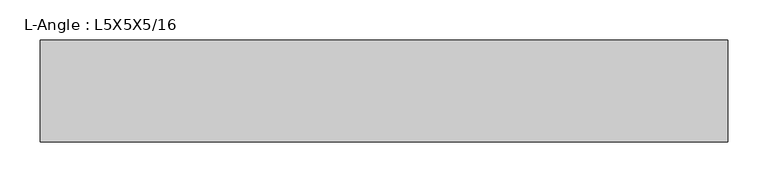
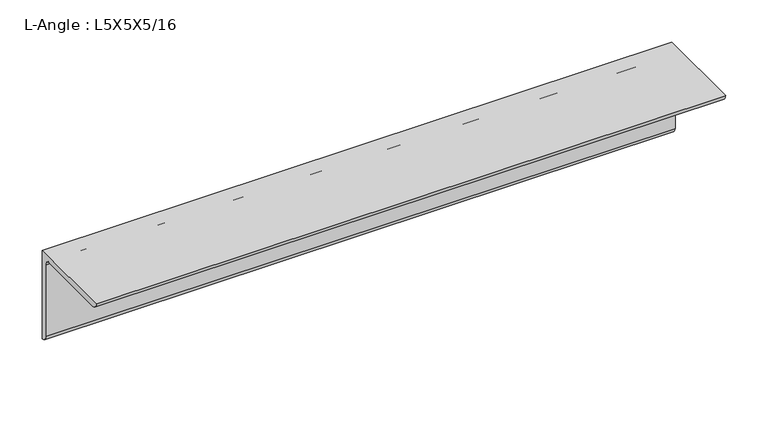
"""IFC4 building model written with IfcOpenShell, lengths in millimetres: beam geometry, L-Angle : L5X5X5/16."""

from ifc_helpers import new_model, si_unit, point, frame, frame_2d, origin, place, context, project, spatial, polyline, circle_curve, trimmed, segment, composite_curve, outline, extrude, source, transform, mapped, element, save


def l_angle_l5x5x5_16_4c718766(model_context):
    return source(origin(), model_context, "Body", "SweptSolid", [
        extrude(outline(composite_curve([segment(polyline([(34.3296875, 34.3296875), (34.3296875, -92.6703125)]), True, "CONTINUOUS"), segment(trimmed(circle_curve(frame_2d((34.3296875, -84.7328125)), 7.9375), [point((34.3296875, -92.6703125))], [point((26.3921875, -84.7328125))], False, "CARTESIAN"), True, "CONTINUOUS"), segment(polyline([(26.3921875, -84.7328125), (26.3921875, 18.4546875)]), True, "CONTINUOUS"), segment(trimmed(circle_curve(frame_2d((18.4546875, 18.4546875)), 7.9375), [point((26.3921875, 18.4546875))], [point((18.4546875, 26.3921875))], True, "CARTESIAN"), True, "CONTINUOUS"), segment(polyline([(18.4546875, 26.3921875), (-84.7328125, 26.3921875)]), True, "CONTINUOUS"), segment(trimmed(circle_curve(frame_2d((-84.7328125, 34.3296875)), 7.9375), [point((-84.7328125, 26.3921875))], [point((-92.6703125, 34.3296875))], False, "CARTESIAN"), True, "CONTINUOUS"), segment(polyline([(-92.6703125, 34.3296875), (34.3296875, 34.3296875)]), True, "CONTINUOUS")], self_intersect=False)), frame((-428.0296875, 0.0, 0.0), z_axis=(1.0, 0.0, 0.0), x_axis=(0.0, 1.0, 0.0)), (0.0, 0.0, 1.0), 856.059375),
    ])


if __name__ == "__main__":
    model = new_model("IFC4")
    model_context = context("Model", 3, world=origin())
    ifc_project = project(units=[si_unit("LENGTHUNIT", "METRE", prefix="MILLI")], contexts=[model_context])
    site = spatial("IfcSite", under=ifc_project)
    building = spatial("IfcBuilding", under=site)
    placement = place(None, origin())
    l_angle_l5x5x5_16_shape = l_angle_l5x5x5_16_4c718766(model_context)
    element("IfcBeam", 1, ObjectType="L-Angle : L5X5X5/16", at=placement, inside=building, context=model_context, shape_type="MappedRepresentation", body=[
        mapped(l_angle_l5x5x5_16_shape, transform((0.0, 0.0, 0.0), x_axis=(1.0, 0.0, 0.0), y_axis=(0.0, 1.0, 0.0), z_axis=(0.0, 0.0, 1.0))),
    ])
    save(model, "model.ifc")
